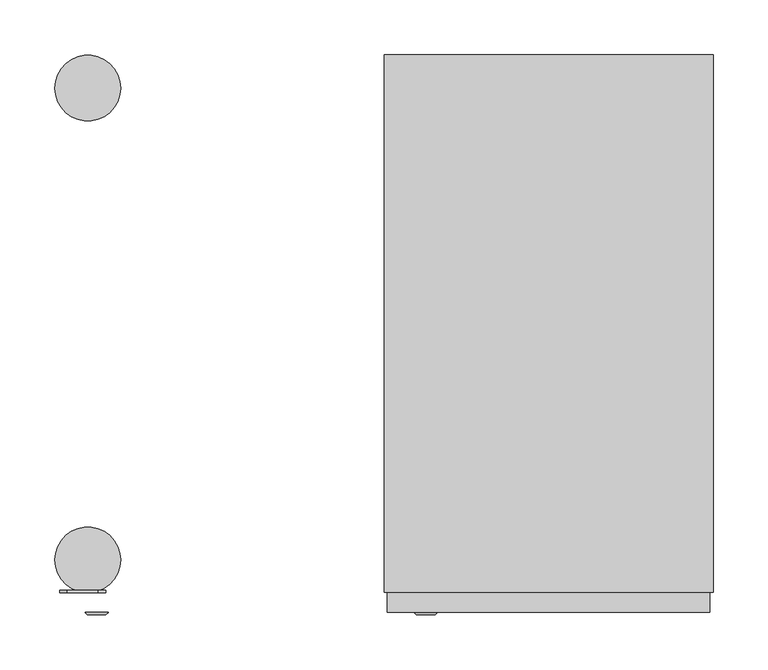
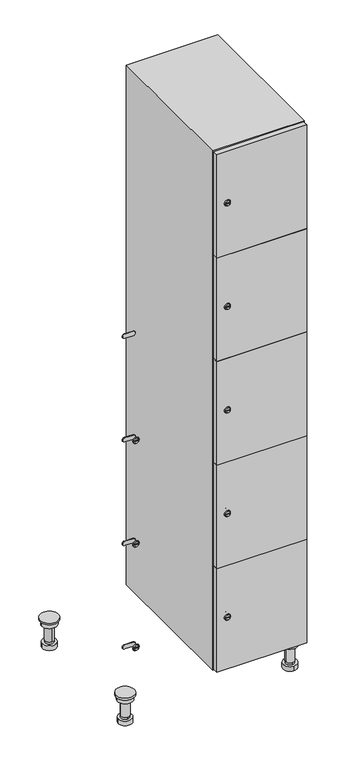
"""IFC4 building model written with IfcOpenShell, lengths in millimetres: furniture geometry."""

from ifc_helpers import new_model, si_unit, point, frame, frame_2d, origin, place, context, project, spatial, polyline, circle_curve, trimmed, segment, composite_curve, outline, extrude, faceted_brep, source, transform, mapped, element, save
from ifc_brep_helpers import plane_surface, cylinder_surface, revolved_surface, advanced_brep


def furniture_f7a5a5fe(model_context):
    return source(origin(), model_context, "Body", "SolidModel", [
        advanced_brep(
        [(370.0, -201.0, 22.0), (370.0, -201.5, 16.0), (370.0, -228.5, 16.0), (370.0, -229.0, 22.0), (356.0, -215.0, 22.0), (384.0, -215.0, 22.0), (370.0, -192.5, 16.0), (370.0, -237.5, 16.0), (370.0, -192.5, 0.0), (370.0, -237.5, 0.0), (384.0, -215.0, 78.0), (356.0, -215.0, 78.0), (395.0, -215.0, 78.0), (345.0, -215.0, 78.0), (400.0, -215.0, 94.0), (340.0, -215.0, 94.0), (345.0, -215.0, 94.0), (395.0, -215.0, 94.0), (400.0, -215.0, 100.0), (340.0, -215.0, 100.0)],
        [
            (0, 1),
            (1, 2, circle_curve(frame((370.0, -215.0, 16.0), z_axis=(0.0, 0.0, 1.0), x_axis=(0.0, -1.0, 0.0)), 13.5)),
            (2, 3),
            (3, 4, circle_curve(frame((370.0, -215.0, 22.0), z_axis=(0.0, 0.0, -1.0), x_axis=(0.0, -1.0, 0.0)), 14.0)),
            (4, 0, circle_curve(frame((370.0, -215.0, 22.0), z_axis=(0.0, 0.0, -1.0), x_axis=(0.0, -1.0, 0.0)), 14.0)),
            (0, 5, circle_curve(frame((370.0, -215.0, 22.0), z_axis=(0.0, 0.0, -1.0), x_axis=(0.0, 1.0, 0.0)), 14.0)),
            (5, 3, circle_curve(frame((370.0, -215.0, 22.0), z_axis=(0.0, 0.0, -1.0), x_axis=(0.0, 1.0, 0.0)), 14.0)),
            (2, 1, circle_curve(frame((370.0, -215.0, 16.0), z_axis=(0.0, 0.0, 1.0), x_axis=(0.0, 1.0, 0.0)), 13.5)),
            (6, 7, circle_curve(frame((370.0, -215.0, 16.0), z_axis=(0.0, 0.0, 1.0), x_axis=(0.0, -1.0, 0.0)), 22.5)),
            (7, 6, circle_curve(frame((370.0, -215.0, 16.0), z_axis=(0.0, 0.0, 1.0), x_axis=(0.0, -1.0, 0.0)), 22.5)),
            (8, 9, circle_curve(frame((370.0, -215.0, 0.0), z_axis=(0.0, 0.0, -1.0), x_axis=(0.0, -1.0, 0.0)), 22.5)),
            (9, 8, circle_curve(frame((370.0, -215.0, 0.0), z_axis=(0.0, 0.0, -1.0), x_axis=(0.0, -1.0, 0.0)), 22.5)),
            (6, 8),
            (9, 7),
            (5, 10),
            (10, 11, circle_curve(frame((370.0, -215.0, 78.0), z_axis=(0.0, 0.0, -1.0), x_axis=(-1.0, 0.0, 0.0)), 14.0)),
            (11, 4),
            (11, 10, circle_curve(frame((370.0, -215.0, 78.0), z_axis=(0.0, 0.0, -1.0), x_axis=(-1.0, 0.0, 0.0)), 14.0)),
            (12, 13, circle_curve(frame((370.0, -215.0, 78.0), z_axis=(0.0, 0.0, -1.0), x_axis=(-1.0, 0.0, 0.0)), 25.0)),
            (13, 12, circle_curve(frame((370.0, -215.0, 78.0), z_axis=(0.0, 0.0, -1.0), x_axis=(-1.0, 0.0, 0.0)), 25.0)),
            (14, 15, circle_curve(frame((370.0, -215.0, 94.0), z_axis=(0.0, 0.0, -1.0), x_axis=(-1.0, 0.0, 0.0)), 30.0)),
            (15, 14, circle_curve(frame((370.0, -215.0, 94.0), z_axis=(0.0, 0.0, -1.0), x_axis=(-1.0, 0.0, 0.0)), 30.0)),
            (16, 17, circle_curve(frame((370.0, -215.0, 94.0), z_axis=(0.0, 0.0, 1.0), x_axis=(-1.0, 0.0, 0.0)), 25.0)),
            (17, 16, circle_curve(frame((370.0, -215.0, 94.0), z_axis=(0.0, 0.0, 1.0), x_axis=(-1.0, 0.0, 0.0)), 25.0)),
            (18, 19, circle_curve(frame((370.0, -215.0, 100.0), z_axis=(0.0, 0.0, 1.0), x_axis=(-1.0, 0.0, 0.0)), 30.0)),
            (19, 18, circle_curve(frame((370.0, -215.0, 100.0), z_axis=(0.0, 0.0, 1.0), x_axis=(-1.0, 0.0, 0.0)), 30.0)),
            (14, 18),
            (19, 15),
            (12, 17),
            (16, 13),
        ],
        [
            revolved_surface(polyline([(370.0, -201.5, 16.0), (370.0, -201.0, 22.0)]), (370.0, -215.0, -146.0), (0.0, 0.0, 1.0)),
            plane_surface(frame((370.0, 0.0, 16.0), z_axis=(0.0, 0.0, 1.0), x_axis=(0.0, -1.0, 0.0))),
            plane_surface(frame((370.0, 0.0, 0.0), z_axis=(0.0, 0.0, -1.0), x_axis=(0.0, -1.0, 0.0))),
            cylinder_surface(frame((370.0, -215.0, 16.0), z_axis=(0.0, 0.0, 1.0), x_axis=(0.0, -1.0, 0.0)), 22.5),
            cylinder_surface(frame((370.0, -215.0, 22.0), z_axis=(0.0, 0.0, -1.0), x_axis=(-1.0, 0.0, 0.0)), 14.0),
            plane_surface(frame((370.0, 0.0, 78.0), z_axis=(0.0, 0.0, -1.0), x_axis=(0.0, -1.0, 0.0))),
            plane_surface(frame((370.0, 0.0, 94.0), z_axis=(0.0, 0.0, -1.0), x_axis=(0.0, -1.0, 0.0))),
            plane_surface(frame((370.0, 0.0, 100.0), z_axis=(0.0, 0.0, 1.0), x_axis=(0.0, -1.0, 0.0))),
            cylinder_surface(frame((370.0, -215.0, 94.0), z_axis=(0.0, 0.0, -1.0), x_axis=(-1.0, 0.0, 0.0)), 30.0),
            cylinder_surface(frame((370.0, -215.0, 78.0), z_axis=(0.0, 0.0, -1.0), x_axis=(-1.0, 0.0, 0.0)), 25.0),
        ],
        [
            (0, [[1, 2, 3, 4, 5]]),
            (0, [[-1, 6, 7, -3, 8]]),
            (1, [[9, 10], [-2, -8]]),
            (2, [[11, 12]]),
            (3, [[-9, 13, -12, 14]]),
            (3, [[-10, -14, -11, -13]]),
            (4, [[15, 16, 17, -4, -7]]),
            (4, [[-15, -6, -5, -17, 18]]),
            (5, [[19, 20], [-16, -18]]),
            (6, [[21, 22], [23, 24]]),
            (7, [[25, 26]]),
            (8, [[-21, 27, -26, 28]]),
            (8, [[-22, -28, -25, -27]]),
            (9, [[-19, 29, -23, 30]]),
            (9, [[-20, -30, -24, -29]]),
        ],
    ),
        advanced_brep(
        [(-170.0, -201.0, 22.0), (-170.0, -201.5, 16.0), (-170.0, -228.5, 16.0), (-170.0, -229.0, 22.0), (-184.0, -215.0, 22.0), (-156.0, -215.0, 22.0), (-147.5, -215.0, 0.0), (-192.5, -215.0, 0.0), (-147.5, -215.0, 16.0), (-192.5, -215.0, 16.0), (-156.0, -215.0, 78.0), (-184.0, -215.0, 78.0), (-145.0, -215.0, 78.0), (-195.0, -215.0, 78.0), (-140.0, -215.0, 94.0), (-200.0, -215.0, 94.0), (-195.0, -215.0, 94.0), (-145.0, -215.0, 94.0), (-140.0, -215.0, 100.0), (-200.0, -215.0, 100.0)],
        [
            (0, 1),
            (1, 2, circle_curve(frame((-170.0, -215.0, 16.0), z_axis=(0.0, 0.0, 1.0), x_axis=(0.0, -1.0, 0.0)), 13.5)),
            (2, 3),
            (3, 4, circle_curve(frame((-170.0, -215.0, 22.0), z_axis=(0.0, 0.0, -1.0), x_axis=(0.0, -1.0, 0.0)), 14.0)),
            (4, 0, circle_curve(frame((-170.0, -215.0, 22.0), z_axis=(0.0, 0.0, -1.0), x_axis=(0.0, -1.0, 0.0)), 14.0)),
            (0, 5, circle_curve(frame((-170.0, -215.0, 22.0), z_axis=(0.0, 0.0, -1.0), x_axis=(0.0, 1.0, 0.0)), 14.0)),
            (5, 3, circle_curve(frame((-170.0, -215.0, 22.0), z_axis=(0.0, 0.0, -1.0), x_axis=(0.0, 1.0, 0.0)), 14.0)),
            (2, 1, circle_curve(frame((-170.0, -215.0, 16.0), z_axis=(0.0, 0.0, 1.0), x_axis=(0.0, 1.0, 0.0)), 13.5)),
            (6, 7, circle_curve(frame((-170.0, -215.0, 0.0), z_axis=(0.0, 0.0, -1.0), x_axis=(-1.0, 0.0, 0.0)), 22.5)),
            (7, 6, circle_curve(frame((-170.0, -215.0, 0.0), z_axis=(0.0, 0.0, -1.0), x_axis=(-1.0, 0.0, 0.0)), 22.5)),
            (8, 9, circle_curve(frame((-170.0, -215.0, 16.0), z_axis=(0.0, 0.0, 1.0), x_axis=(-1.0, 0.0, 0.0)), 22.5)),
            (9, 8, circle_curve(frame((-170.0, -215.0, 16.0), z_axis=(0.0, 0.0, 1.0), x_axis=(-1.0, 0.0, 0.0)), 22.5)),
            (6, 8),
            (9, 7),
            (5, 10),
            (10, 11, circle_curve(frame((-170.0, -215.0, 78.0), z_axis=(0.0, 0.0, -1.0), x_axis=(-1.0, 0.0, 0.0)), 14.0)),
            (11, 4),
            (11, 10, circle_curve(frame((-170.0, -215.0, 78.0), z_axis=(0.0, 0.0, -1.0), x_axis=(-1.0, 0.0, 0.0)), 14.0)),
            (12, 13, circle_curve(frame((-170.0, -215.0, 78.0), z_axis=(0.0, 0.0, -1.0), x_axis=(-1.0, 0.0, 0.0)), 25.0)),
            (13, 12, circle_curve(frame((-170.0, -215.0, 78.0), z_axis=(0.0, 0.0, -1.0), x_axis=(-1.0, 0.0, 0.0)), 25.0)),
            (14, 15, circle_curve(frame((-170.0, -215.0, 94.0), z_axis=(0.0, 0.0, -1.0), x_axis=(-1.0, 0.0, 0.0)), 30.0)),
            (15, 14, circle_curve(frame((-170.0, -215.0, 94.0), z_axis=(0.0, 0.0, -1.0), x_axis=(-1.0, 0.0, 0.0)), 30.0)),
            (16, 17, circle_curve(frame((-170.0, -215.0, 94.0), z_axis=(0.0, 0.0, 1.0), x_axis=(-1.0, 0.0, 0.0)), 25.0)),
            (17, 16, circle_curve(frame((-170.0, -215.0, 94.0), z_axis=(0.0, 0.0, 1.0), x_axis=(-1.0, 0.0, 0.0)), 25.0)),
            (18, 19, circle_curve(frame((-170.0, -215.0, 100.0), z_axis=(0.0, 0.0, 1.0), x_axis=(-1.0, 0.0, 0.0)), 30.0)),
            (19, 18, circle_curve(frame((-170.0, -215.0, 100.0), z_axis=(0.0, 0.0, 1.0), x_axis=(-1.0, 0.0, 0.0)), 30.0)),
            (14, 18),
            (19, 15),
            (12, 17),
            (16, 13),
        ],
        [
            revolved_surface(polyline([(-170.0, -201.5, 16.0), (-170.0, -201.0, 22.0)]), (-170.0, -215.0, -146.0), (0.0, 0.0, 1.0)),
            plane_surface(frame((-170.0, 0.0, 0.0), z_axis=(0.0, 0.0, -1.0), x_axis=(0.0, -1.0, 0.0))),
            plane_surface(frame((-170.0, 0.0, 16.0), z_axis=(0.0, 0.0, 1.0), x_axis=(0.0, -1.0, 0.0))),
            cylinder_surface(frame((-170.0, -215.0, 0.0), z_axis=(0.0, 0.0, -1.0), x_axis=(-1.0, 0.0, 0.0)), 22.5),
            cylinder_surface(frame((-170.0, -215.0, 22.0), z_axis=(0.0, 0.0, -1.0), x_axis=(-1.0, 0.0, 0.0)), 14.0),
            plane_surface(frame((-170.0, 0.0, 78.0), z_axis=(0.0, 0.0, -1.0), x_axis=(0.0, -1.0, 0.0))),
            plane_surface(frame((-170.0, 0.0, 94.0), z_axis=(0.0, 0.0, -1.0), x_axis=(0.0, -1.0, 0.0))),
            plane_surface(frame((-170.0, 0.0, 100.0), z_axis=(0.0, 0.0, 1.0), x_axis=(0.0, -1.0, 0.0))),
            cylinder_surface(frame((-170.0, -215.0, 94.0), z_axis=(0.0, 0.0, -1.0), x_axis=(-1.0, 0.0, 0.0)), 30.0),
            cylinder_surface(frame((-170.0, -215.0, 78.0), z_axis=(0.0, 0.0, -1.0), x_axis=(-1.0, 0.0, 0.0)), 25.0),
        ],
        [
            (0, [[1, 2, 3, 4, 5]]),
            (0, [[-1, 6, 7, -3, 8]]),
            (1, [[9, 10]]),
            (2, [[11, 12], [-2, -8]]),
            (3, [[-9, 13, -12, 14]]),
            (3, [[-10, -14, -11, -13]]),
            (4, [[15, 16, 17, -4, -7]]),
            (4, [[-15, -6, -5, -17, 18]]),
            (5, [[19, 20], [-16, -18]]),
            (6, [[21, 22], [23, 24]]),
            (7, [[25, 26]]),
            (8, [[-21, 27, -26, 28]]),
            (8, [[-22, -28, -25, -27]]),
            (9, [[-19, 29, -23, 30]]),
            (9, [[-20, -30, -24, -29]]),
        ],
    ),
        advanced_brep(
        [(383.5, 215.0, 16.0), (384.0, 215.0, 22.0), (356.0, 215.0, 22.0), (356.5, 215.0, 16.0), (392.5, 215.0, 0.0), (347.5, 215.0, 0.0), (392.5, 215.0, 16.0), (347.5, 215.0, 16.0), (384.0, 215.0, 78.0), (356.0, 215.0, 78.0), (395.0, 215.0, 78.0), (345.0, 215.0, 78.0), (400.0, 215.0, 94.0), (340.0, 215.0, 94.0), (345.0, 215.0, 94.0), (395.0, 215.0, 94.0), (400.0, 215.0, 100.0), (340.0, 215.0, 100.0)],
        [
            (0, 1),
            (1, 2, circle_curve(frame((370.0, 215.0, 22.0), z_axis=(0.0, 0.0, -1.0), x_axis=(-1.0, 0.0, 0.0)), 14.0)),
            (2, 3),
            (3, 0, circle_curve(frame((370.0, 215.0, 16.0), z_axis=(0.0, 0.0, 1.0), x_axis=(-1.0, 0.0, 0.0)), 13.5)),
            (0, 3, circle_curve(frame((370.0, 215.0, 16.0), z_axis=(0.0, 0.0, 1.0), x_axis=(1.0, 0.0, 0.0)), 13.5)),
            (2, 1, circle_curve(frame((370.0, 215.0, 22.0), z_axis=(0.0, 0.0, -1.0), x_axis=(1.0, 0.0, 0.0)), 14.0)),
            (4, 5, circle_curve(frame((370.0, 215.0, 0.0), z_axis=(0.0, 0.0, -1.0), x_axis=(-1.0, 0.0, 0.0)), 22.5)),
            (5, 4, circle_curve(frame((370.0, 215.0, 0.0), z_axis=(0.0, 0.0, -1.0), x_axis=(-1.0, 0.0, 0.0)), 22.5)),
            (6, 7, circle_curve(frame((370.0, 215.0, 16.0), z_axis=(0.0, 0.0, 1.0), x_axis=(-1.0, 0.0, 0.0)), 22.5)),
            (7, 6, circle_curve(frame((370.0, 215.0, 16.0), z_axis=(0.0, 0.0, 1.0), x_axis=(-1.0, 0.0, 0.0)), 22.5)),
            (4, 6),
            (7, 5),
            (1, 8),
            (8, 9, circle_curve(frame((370.0, 215.0, 78.0), z_axis=(0.0, 0.0, -1.0), x_axis=(-1.0, 0.0, 0.0)), 14.0)),
            (9, 2),
            (9, 8, circle_curve(frame((370.0, 215.0, 78.0), z_axis=(0.0, 0.0, -1.0), x_axis=(-1.0, 0.0, 0.0)), 14.0)),
            (10, 11, circle_curve(frame((370.0, 215.0, 78.0), z_axis=(0.0, 0.0, -1.0), x_axis=(-1.0, 0.0, 0.0)), 25.0)),
            (11, 10, circle_curve(frame((370.0, 215.0, 78.0), z_axis=(0.0, 0.0, -1.0), x_axis=(-1.0, 0.0, 0.0)), 25.0)),
            (12, 13, circle_curve(frame((370.0, 215.0, 94.0), z_axis=(0.0, 0.0, -1.0), x_axis=(-1.0, 0.0, 0.0)), 30.0)),
            (13, 12, circle_curve(frame((370.0, 215.0, 94.0), z_axis=(0.0, 0.0, -1.0), x_axis=(-1.0, 0.0, 0.0)), 30.0)),
            (14, 15, circle_curve(frame((370.0, 215.0, 94.0), z_axis=(0.0, 0.0, 1.0), x_axis=(-1.0, 0.0, 0.0)), 25.0)),
            (15, 14, circle_curve(frame((370.0, 215.0, 94.0), z_axis=(0.0, 0.0, 1.0), x_axis=(-1.0, 0.0, 0.0)), 25.0)),
            (16, 17, circle_curve(frame((370.0, 215.0, 100.0), z_axis=(0.0, 0.0, 1.0), x_axis=(-1.0, 0.0, 0.0)), 30.0)),
            (17, 16, circle_curve(frame((370.0, 215.0, 100.0), z_axis=(0.0, 0.0, 1.0), x_axis=(-1.0, 0.0, 0.0)), 30.0)),
            (12, 16),
            (17, 13),
            (10, 15),
            (14, 11),
        ],
        [
            revolved_surface(polyline([(383.5, 215.0, 16.0), (384.0, 215.0, 22.0)]), (370.0, 215.0, -146.0), (0.0, 0.0, 1.0)),
            plane_surface(frame((370.0, 0.0, 0.0), z_axis=(0.0, 0.0, -1.0), x_axis=(0.0, -1.0, 0.0))),
            plane_surface(frame((370.0, 0.0, 16.0), z_axis=(0.0, 0.0, 1.0), x_axis=(0.0, -1.0, 0.0))),
            cylinder_surface(frame((370.0, 215.0, 0.0), z_axis=(0.0, 0.0, -1.0), x_axis=(-1.0, 0.0, 0.0)), 22.5),
            cylinder_surface(frame((370.0, 215.0, 22.0), z_axis=(0.0, 0.0, -1.0), x_axis=(-1.0, 0.0, 0.0)), 14.0),
            plane_surface(frame((370.0, 0.0, 78.0), z_axis=(0.0, 0.0, -1.0), x_axis=(0.0, -1.0, 0.0))),
            plane_surface(frame((370.0, 0.0, 94.0), z_axis=(0.0, 0.0, -1.0), x_axis=(0.0, -1.0, 0.0))),
            plane_surface(frame((370.0, 0.0, 100.0), z_axis=(0.0, 0.0, 1.0), x_axis=(0.0, -1.0, 0.0))),
            cylinder_surface(frame((370.0, 215.0, 94.0), z_axis=(0.0, 0.0, -1.0), x_axis=(-1.0, 0.0, 0.0)), 30.0),
            cylinder_surface(frame((370.0, 215.0, 78.0), z_axis=(0.0, 0.0, -1.0), x_axis=(-1.0, 0.0, 0.0)), 25.0),
        ],
        [
            (0, [[1, 2, 3, 4]]),
            (0, [[-1, 5, -3, 6]]),
            (1, [[7, 8]]),
            (2, [[9, 10], [-4, -5]]),
            (3, [[-7, 11, -10, 12]]),
            (3, [[-8, -12, -9, -11]]),
            (4, [[13, 14, 15, -2]]),
            (4, [[-13, -6, -15, 16]]),
            (5, [[17, 18], [-14, -16]]),
            (6, [[19, 20], [21, 22]]),
            (7, [[23, 24]]),
            (8, [[-19, 25, -24, 26]]),
            (8, [[-20, -26, -23, -25]]),
            (9, [[-17, 27, -21, 28]]),
            (9, [[-18, -28, -22, -27]]),
        ],
    ),
        advanced_brep(
        [(-156.5, 215.0, 16.0), (-156.0, 215.0, 22.0), (-170.0, 201.0, 22.0), (-184.0, 215.0, 22.0), (-183.5, 215.0, 16.0), (-170.0, 229.0, 22.0), (-147.5, 215.0, 0.0), (-192.5, 215.0, 0.0), (-147.5, 215.0, 16.0), (-192.5, 215.0, 16.0), (-170.0, 229.0, 78.0), (-170.0, 201.0, 78.0), (-145.0, 215.0, 78.0), (-195.0, 215.0, 78.0), (-140.0, 215.0, 94.0), (-200.0, 215.0, 94.0), (-195.0, 215.0, 94.0), (-145.0, 215.0, 94.0), (-140.0, 215.0, 100.0), (-200.0, 215.0, 100.0)],
        [
            (0, 1),
            (1, 2, circle_curve(frame((-170.0, 215.0, 22.0), z_axis=(0.0, 0.0, -1.0), x_axis=(-1.0, 0.0, 0.0)), 14.0)),
            (2, 3, circle_curve(frame((-170.0, 215.0, 22.0), z_axis=(0.0, 0.0, -1.0), x_axis=(-1.0, 0.0, 0.0)), 14.0)),
            (3, 4),
            (4, 0, circle_curve(frame((-170.0, 215.0, 16.0), z_axis=(0.0, 0.0, 1.0), x_axis=(-1.0, 0.0, 0.0)), 13.5)),
            (0, 4, circle_curve(frame((-170.0, 215.0, 16.0), z_axis=(0.0, 0.0, 1.0), x_axis=(1.0, 0.0, 0.0)), 13.5)),
            (3, 5, circle_curve(frame((-170.0, 215.0, 22.0), z_axis=(0.0, 0.0, -1.0), x_axis=(1.0, 0.0, 0.0)), 14.0)),
            (5, 1, circle_curve(frame((-170.0, 215.0, 22.0), z_axis=(0.0, 0.0, -1.0), x_axis=(1.0, 0.0, 0.0)), 14.0)),
            (6, 7, circle_curve(frame((-170.0, 215.0, 0.0), z_axis=(0.0, 0.0, -1.0), x_axis=(-1.0, 0.0, 0.0)), 22.5)),
            (7, 6, circle_curve(frame((-170.0, 215.0, 0.0), z_axis=(0.0, 0.0, -1.0), x_axis=(-1.0, 0.0, 0.0)), 22.5)),
            (8, 9, circle_curve(frame((-170.0, 215.0, 16.0), z_axis=(0.0, 0.0, 1.0), x_axis=(-1.0, 0.0, 0.0)), 22.5)),
            (9, 8, circle_curve(frame((-170.0, 215.0, 16.0), z_axis=(0.0, 0.0, 1.0), x_axis=(-1.0, 0.0, 0.0)), 22.5)),
            (6, 8),
            (9, 7),
            (10, 5),
            (2, 11),
            (11, 10, circle_curve(frame((-170.0, 215.0, 78.0), z_axis=(0.0, 0.0, -1.0), x_axis=(0.0, -1.0, 0.0)), 14.0)),
            (10, 11, circle_curve(frame((-170.0, 215.0, 78.0), z_axis=(0.0, 0.0, -1.0), x_axis=(0.0, -1.0, 0.0)), 14.0)),
            (12, 13, circle_curve(frame((-170.0, 215.0, 78.0), z_axis=(0.0, 0.0, -1.0), x_axis=(-1.0, 0.0, 0.0)), 25.0)),
            (13, 12, circle_curve(frame((-170.0, 215.0, 78.0), z_axis=(0.0, 0.0, -1.0), x_axis=(-1.0, 0.0, 0.0)), 25.0)),
            (14, 15, circle_curve(frame((-170.0, 215.0, 94.0), z_axis=(0.0, 0.0, -1.0), x_axis=(-1.0, 0.0, 0.0)), 30.0)),
            (15, 14, circle_curve(frame((-170.0, 215.0, 94.0), z_axis=(0.0, 0.0, -1.0), x_axis=(-1.0, 0.0, 0.0)), 30.0)),
            (16, 17, circle_curve(frame((-170.0, 215.0, 94.0), z_axis=(0.0, 0.0, 1.0), x_axis=(-1.0, 0.0, 0.0)), 25.0)),
            (17, 16, circle_curve(frame((-170.0, 215.0, 94.0), z_axis=(0.0, 0.0, 1.0), x_axis=(-1.0, 0.0, 0.0)), 25.0)),
            (18, 19, circle_curve(frame((-170.0, 215.0, 100.0), z_axis=(0.0, 0.0, 1.0), x_axis=(-1.0, 0.0, 0.0)), 30.0)),
            (19, 18, circle_curve(frame((-170.0, 215.0, 100.0), z_axis=(0.0, 0.0, 1.0), x_axis=(-1.0, 0.0, 0.0)), 30.0)),
            (14, 18),
            (19, 15),
            (12, 17),
            (16, 13),
        ],
        [
            revolved_surface(polyline([(-156.5, 215.0, 16.0), (-156.0, 215.0, 22.0)]), (-170.0, 215.0, -146.0), (0.0, 0.0, 1.0)),
            plane_surface(frame((-170.0, 0.0, 0.0), z_axis=(0.0, 0.0, -1.0), x_axis=(0.0, -1.0, 0.0))),
            plane_surface(frame((-170.0, 0.0, 16.0), z_axis=(0.0, 0.0, 1.0), x_axis=(0.0, -1.0, 0.0))),
            cylinder_surface(frame((-170.0, 215.0, 0.0), z_axis=(0.0, 0.0, -1.0), x_axis=(-1.0, 0.0, 0.0)), 22.5),
            cylinder_surface(frame((-170.0, 215.0, 78.0), z_axis=(0.0, 0.0, 1.0), x_axis=(0.0, -1.0, 0.0)), 14.0),
            plane_surface(frame((-170.0, 0.0, 78.0), z_axis=(0.0, 0.0, -1.0), x_axis=(0.0, -1.0, 0.0))),
            plane_surface(frame((-170.0, 0.0, 94.0), z_axis=(0.0, 0.0, -1.0), x_axis=(0.0, -1.0, 0.0))),
            plane_surface(frame((-170.0, 0.0, 100.0), z_axis=(0.0, 0.0, 1.0), x_axis=(0.0, -1.0, 0.0))),
            cylinder_surface(frame((-170.0, 215.0, 94.0), z_axis=(0.0, 0.0, -1.0), x_axis=(-1.0, 0.0, 0.0)), 30.0),
            cylinder_surface(frame((-170.0, 215.0, 78.0), z_axis=(0.0, 0.0, -1.0), x_axis=(-1.0, 0.0, 0.0)), 25.0),
        ],
        [
            (0, [[1, 2, 3, 4, 5]]),
            (0, [[-1, 6, -4, 7, 8]]),
            (1, [[9, 10]]),
            (2, [[11, 12], [-5, -6]]),
            (3, [[-9, 13, -12, 14]]),
            (3, [[-10, -14, -11, -13]]),
            (4, [[15, -7, -3, 16, 17]]),
            (4, [[-15, 18, -16, -2, -8]]),
            (5, [[19, 20], [-17, -18]]),
            (6, [[21, 22], [23, 24]]),
            (7, [[25, 26]]),
            (8, [[-21, 27, -26, 28]]),
            (8, [[-22, -28, -25, -27]]),
            (9, [[-19, 29, -23, 30]]),
            (9, [[-20, -30, -24, -29]]),
        ],
    ),
        extrude(outline(composite_curve([segment(trimmed(circle_curve(frame_2d((282.4, 111.2010534)), 7.0), [point((289.4, 111.2010534))], [point((275.4, 111.2010534))], False, "CARTESIAN"), True, "CONTINUOUS"), segment(polyline([(275.4, 111.2010534), (275.4, 139.2010534)]), True, "CONTINUOUS"), segment(trimmed(circle_curve(frame_2d((282.4, 139.2010534)), 7.0), [point((275.4, 139.2010534))], [point((289.4, 139.2010534))], False, "CARTESIAN"), True, "CONTINUOUS"), segment(polyline([(289.4, 139.2010534), (289.4, 111.2010534)]), True, "CONTINUOUS")], self_intersect=False)), frame((0.0, -245.0, 0.0), z_axis=(0.0, 1.0, 0.0), x_axis=(0.0, 0.0, 1.0)), (0.0, 0.0, 1.0), 2.0),
        advanced_brep(
        [(146.5, -265.2, 282.4), (129.5, -265.2, 282.4), (133.0, -265.2, 281.15), (133.0, -265.2, 283.65), (143.0, -265.2, 283.65), (143.0, -265.2, 281.15), (148.5, -263.0, 282.4), (127.5, -263.0, 282.4), (133.0, -263.0, 283.65), (133.0, -263.0, 281.15), (143.0, -263.0, 281.15), (143.0, -263.0, 283.65)],
        [
            (0, 1, circle_curve(frame((138.0, -265.2, 282.4), z_axis=(0.0, -1.0, 0.0), x_axis=(1.0, 0.0, 0.0)), 8.5)),
            (1, 0, circle_curve(frame((138.0, -265.2, 282.4), z_axis=(0.0, -1.0, 0.0), x_axis=(-1.0, 0.0, 0.0)), 8.5)),
            (2, 3),
            (3, 4),
            (4, 5),
            (5, 2),
            (6, 7, circle_curve(frame((138.0, -263.0, 282.4), z_axis=(0.0, 1.0, 0.0), x_axis=(-1.0, 0.0, 0.0)), 10.5)),
            (7, 6, circle_curve(frame((138.0, -263.0, 282.4), z_axis=(0.0, 1.0, 0.0), x_axis=(1.0, 0.0, 0.0)), 10.5)),
            (8, 9),
            (9, 10),
            (10, 11),
            (11, 8),
            (0, 6),
            (7, 1),
            (8, 3),
            (2, 9),
            (11, 4),
            (10, 5),
        ],
        [
            plane_surface(frame((138.0, -265.2, 282.4), z_axis=(0.0, -1.0, 0.0), x_axis=(0.0, 0.0, 1.0))),
            plane_surface(frame((138.0, -263.0, 282.4), z_axis=(0.0, 1.0, 0.0), x_axis=(0.0, 0.0, 1.0))),
            revolved_surface(polyline([(146.5, -265.2, 282.4), (148.5, -263.0, 282.4)]), (138.0, -274.55, 282.4), (0.0, 1.0, 0.0)),
            revolved_surface(polyline([(129.5, -265.2, 282.4), (127.5, -263.0, 282.4)]), (138.0, -274.55, 282.4), (0.0, 1.0, 0.0)),
            plane_surface(frame((133.0, -263.0, 281.15), z_axis=(1.0, 0.0, 0.0), x_axis=(0.0, -1.0, 0.0))),
            plane_surface(frame((133.0, -263.0, 283.65), z_axis=(0.0, 0.0, -1.0), x_axis=(0.0, -1.0, 0.0))),
            plane_surface(frame((143.0, -263.0, 283.65), z_axis=(-1.0, 0.0, 0.0), x_axis=(0.0, -1.0, 0.0))),
            plane_surface(frame((143.0, -263.0, 281.15), z_axis=(0.0, 0.0, 1.0), x_axis=(0.0, -1.0, 0.0))),
        ],
        [
            (0, [[1, 2], [3, 4, 5, 6]]),
            (1, [[7, 8], [9, 10, 11, 12]]),
            (2, [[-1, 13, -8, 14]]),
            (3, [[-2, -14, -7, -13]]),
            (4, [[15, -3, 16, -9]]),
            (5, [[-15, -12, 17, -4]]),
            (6, [[-17, -11, 18, -5]]),
            (7, [[-16, -6, -18, -10]]),
        ],
    ),
        extrude(outline(composite_curve([segment(trimmed(circle_curve(frame_2d((641.2, 111.2010534)), 7.0), [point((648.2, 111.2010534))], [point((634.2, 111.2010534))], False, "CARTESIAN"), True, "CONTINUOUS"), segment(polyline([(634.2, 111.2010534), (634.2, 139.2010534)]), True, "CONTINUOUS"), segment(trimmed(circle_curve(frame_2d((641.2, 139.2010534)), 7.0), [point((634.2, 139.2010534))], [point((648.2, 139.2010534))], False, "CARTESIAN"), True, "CONTINUOUS"), segment(polyline([(648.2, 139.2010534), (648.2, 111.2010534)]), True, "CONTINUOUS")], self_intersect=False)), frame((0.0, -245.0, 0.0), z_axis=(0.0, 1.0, 0.0), x_axis=(0.0, 0.0, 1.0)), (0.0, 0.0, 1.0), 2.0),
        advanced_brep(
        [(146.5, -265.2, 641.2), (129.5, -265.2, 641.2), (133.0, -265.2, 639.95), (133.0, -265.2, 642.45), (143.0, -265.2, 642.45), (143.0, -265.2, 639.95), (148.5, -263.0, 641.2), (127.5, -263.0, 641.2), (133.0, -263.0, 642.45), (133.0, -263.0, 639.95), (143.0, -263.0, 639.95), (143.0, -263.0, 642.45)],
        [
            (0, 1, circle_curve(frame((138.0, -265.2, 641.2), z_axis=(0.0, -1.0, 0.0), x_axis=(1.0, 0.0, 0.0)), 8.5)),
            (1, 0, circle_curve(frame((138.0, -265.2, 641.2), z_axis=(0.0, -1.0, 0.0), x_axis=(-1.0, 0.0, 0.0)), 8.5)),
            (2, 3),
            (3, 4),
            (4, 5),
            (5, 2),
            (6, 7, circle_curve(frame((138.0, -263.0, 641.2), z_axis=(0.0, 1.0, 0.0), x_axis=(-1.0, 0.0, 0.0)), 10.5)),
            (7, 6, circle_curve(frame((138.0, -263.0, 641.2), z_axis=(0.0, 1.0, 0.0), x_axis=(1.0, 0.0, 0.0)), 10.5)),
            (8, 9),
            (9, 10),
            (10, 11),
            (11, 8),
            (0, 6),
            (7, 1),
            (8, 3),
            (2, 9),
            (11, 4),
            (10, 5),
        ],
        [
            plane_surface(frame((138.0, -265.2, 641.2), z_axis=(0.0, -1.0, 0.0), x_axis=(0.0, 0.0, 1.0))),
            plane_surface(frame((138.0, -263.0, 641.2), z_axis=(0.0, 1.0, 0.0), x_axis=(0.0, 0.0, 1.0))),
            revolved_surface(polyline([(146.5, -265.2, 641.2), (148.5, -263.0, 641.2)]), (138.0, -274.55, 641.2), (0.0, 1.0, 0.0)),
            revolved_surface(polyline([(129.5, -265.2, 641.2), (127.5, -263.0, 641.2)]), (138.0, -274.55, 641.2), (0.0, 1.0, 0.0)),
            plane_surface(frame((133.0, -263.0, 639.95), z_axis=(1.0, 0.0, 0.0), x_axis=(0.0, -1.0, 0.0))),
            plane_surface(frame((133.0, -263.0, 642.45), z_axis=(0.0, 0.0, -1.0), x_axis=(0.0, -1.0, 0.0))),
            plane_surface(frame((143.0, -263.0, 642.45), z_axis=(-1.0, 0.0, 0.0), x_axis=(0.0, -1.0, 0.0))),
            plane_surface(frame((143.0, -263.0, 639.95), z_axis=(0.0, 0.0, 1.0), x_axis=(0.0, -1.0, 0.0))),
        ],
        [
            (0, [[1, 2], [3, 4, 5, 6]]),
            (1, [[7, 8], [9, 10, 11, 12]]),
            (2, [[-1, 13, -8, 14]]),
            (3, [[-2, -14, -7, -13]]),
            (4, [[15, -3, 16, -9]]),
            (5, [[-15, -12, 17, -4]]),
            (6, [[-17, -11, 18, -5]]),
            (7, [[-16, -6, -18, -10]]),
        ],
    ),
        extrude(outline(composite_curve([segment(trimmed(circle_curve(frame_2d((1000.0, 111.2010534)), 7.0), [point((1007.0, 111.2010534))], [point((993.0, 111.2010534))], False, "CARTESIAN"), True, "CONTINUOUS"), segment(polyline([(993.0, 111.2010534), (993.0, 139.2010534)]), True, "CONTINUOUS"), segment(trimmed(circle_curve(frame_2d((1000.0, 139.2010534)), 7.0), [point((993.0, 139.2010534))], [point((1007.0, 139.2010534))], False, "CARTESIAN"), True, "CONTINUOUS"), segment(polyline([(1007.0, 139.2010534), (1007.0, 111.2010534)]), True, "CONTINUOUS")], self_intersect=False)), frame((0.0, -245.0, 0.0), z_axis=(0.0, 1.0, 0.0), x_axis=(0.0, 0.0, 1.0)), (0.0, 0.0, 1.0), 2.0),
        advanced_brep(
        [(146.5, -265.2, 1000.0), (129.5, -265.2, 1000.0), (133.0, -265.2, 998.75), (133.0, -265.2, 1001.25), (143.0, -265.2, 1001.25), (143.0, -265.2, 998.75), (148.5, -263.0, 1000.0), (127.5, -263.0, 1000.0), (133.0, -263.0, 1001.25), (133.0, -263.0, 998.75), (143.0, -263.0, 998.75), (143.0, -263.0, 1001.25)],
        [
            (0, 1, circle_curve(frame((138.0, -265.2, 1000.0), z_axis=(0.0, -1.0, 0.0), x_axis=(1.0, 0.0, 0.0)), 8.5)),
            (1, 0, circle_curve(frame((138.0, -265.2, 1000.0), z_axis=(0.0, -1.0, 0.0), x_axis=(-1.0, 0.0, 0.0)), 8.5)),
            (2, 3),
            (3, 4),
            (4, 5),
            (5, 2),
            (6, 7, circle_curve(frame((138.0, -263.0, 1000.0), z_axis=(0.0, 1.0, 0.0), x_axis=(-1.0, 0.0, 0.0)), 10.5)),
            (7, 6, circle_curve(frame((138.0, -263.0, 1000.0), z_axis=(0.0, 1.0, 0.0), x_axis=(1.0, 0.0, 0.0)), 10.5)),
            (8, 9),
            (9, 10),
            (10, 11),
            (11, 8),
            (0, 6),
            (7, 1),
            (8, 3),
            (2, 9),
            (11, 4),
            (10, 5),
        ],
        [
            plane_surface(frame((138.0, -265.2, 1000.0), z_axis=(0.0, -1.0, 0.0), x_axis=(0.0, 0.0, 1.0))),
            plane_surface(frame((138.0, -263.0, 1000.0), z_axis=(0.0, 1.0, 0.0), x_axis=(0.0, 0.0, 1.0))),
            revolved_surface(polyline([(146.5, -265.2, 1000.0), (148.5, -263.0, 1000.0)]), (138.0, -274.55, 1000.0), (0.0, 1.0, 0.0)),
            revolved_surface(polyline([(129.5, -265.2, 1000.0), (127.5, -263.0, 1000.0)]), (138.0, -274.55, 1000.0), (0.0, 1.0, 0.0)),
            plane_surface(frame((133.0, -263.0, 998.75), z_axis=(1.0, 0.0, 0.0), x_axis=(0.0, -1.0, 0.0))),
            plane_surface(frame((133.0, -263.0, 1001.25), z_axis=(0.0, 0.0, -1.0), x_axis=(0.0, -1.0, 0.0))),
            plane_surface(frame((143.0, -263.0, 1001.25), z_axis=(-1.0, 0.0, 0.0), x_axis=(0.0, -1.0, 0.0))),
            plane_surface(frame((143.0, -263.0, 998.75), z_axis=(0.0, 0.0, 1.0), x_axis=(0.0, -1.0, 0.0))),
        ],
        [
            (0, [[1, 2], [3, 4, 5, 6]]),
            (1, [[7, 8], [9, 10, 11, 12]]),
            (2, [[-1, 13, -8, 14]]),
            (3, [[-2, -14, -7, -13]]),
            (4, [[15, -3, 16, -9]]),
            (5, [[-15, -12, 17, -4]]),
            (6, [[-17, -11, 18, -5]]),
            (7, [[-16, -6, -18, -10]]),
        ],
    ),
        extrude(outline(composite_curve([segment(trimmed(circle_curve(frame_2d((1358.8, 111.2010534)), 7.0), [point((1365.8, 111.2010534))], [point((1351.8, 111.2010534))], False, "CARTESIAN"), True, "CONTINUOUS"), segment(polyline([(1351.8, 111.2010534), (1351.8, 139.2010534)]), True, "CONTINUOUS"), segment(trimmed(circle_curve(frame_2d((1358.8, 139.2010534)), 7.0), [point((1351.8, 139.2010534))], [point((1365.8, 139.2010534))], False, "CARTESIAN"), True, "CONTINUOUS"), segment(polyline([(1365.8, 139.2010534), (1365.8, 111.2010534)]), True, "CONTINUOUS")], self_intersect=False)), frame((0.0, -245.0, 0.0), z_axis=(0.0, 1.0, 0.0), x_axis=(0.0, 0.0, 1.0)), (0.0, 0.0, 1.0), 2.0),
        advanced_brep(
        [(146.5, -265.2, 1358.8), (129.5, -265.2, 1358.8), (133.0, -265.2, 1357.55), (133.0, -265.2, 1360.05), (143.0, -265.2, 1360.05), (143.0, -265.2, 1357.55), (148.5, -263.0, 1358.8), (127.5, -263.0, 1358.8), (133.0, -263.0, 1360.05), (133.0, -263.0, 1357.55), (143.0, -263.0, 1357.55), (143.0, -263.0, 1360.05)],
        [
            (0, 1, circle_curve(frame((138.0, -265.2, 1358.8), z_axis=(0.0, -1.0, 0.0), x_axis=(1.0, 0.0, 0.0)), 8.5)),
            (1, 0, circle_curve(frame((138.0, -265.2, 1358.8), z_axis=(0.0, -1.0, 0.0), x_axis=(-1.0, 0.0, 0.0)), 8.5)),
            (2, 3),
            (3, 4),
            (4, 5),
            (5, 2),
            (6, 7, circle_curve(frame((138.0, -263.0, 1358.8), z_axis=(0.0, 1.0, 0.0), x_axis=(-1.0, 0.0, 0.0)), 10.5)),
            (7, 6, circle_curve(frame((138.0, -263.0, 1358.8), z_axis=(0.0, 1.0, 0.0), x_axis=(1.0, 0.0, 0.0)), 10.5)),
            (8, 9),
            (9, 10),
            (10, 11),
            (11, 8),
            (0, 6),
            (7, 1),
            (8, 3),
            (2, 9),
            (11, 4),
            (10, 5),
        ],
        [
            plane_surface(frame((138.0, -265.2, 1358.8), z_axis=(0.0, -1.0, 0.0), x_axis=(0.0, 0.0, 1.0))),
            plane_surface(frame((138.0, -263.0, 1358.8), z_axis=(0.0, 1.0, 0.0), x_axis=(0.0, 0.0, 1.0))),
            revolved_surface(polyline([(146.5, -265.2, 1358.8), (148.5, -263.0, 1358.8)]), (138.0, -274.55, 1358.8), (0.0, 1.0, 0.0)),
            revolved_surface(polyline([(129.5, -265.2, 1358.8), (127.5, -263.0, 1358.8)]), (138.0, -274.55, 1358.8), (0.0, 1.0, 0.0)),
            plane_surface(frame((133.0, -263.0, 1357.55), z_axis=(1.0, 0.0, 0.0), x_axis=(0.0, -1.0, 0.0))),
            plane_surface(frame((133.0, -263.0, 1360.05), z_axis=(0.0, 0.0, -1.0), x_axis=(0.0, -1.0, 0.0))),
            plane_surface(frame((143.0, -263.0, 1360.05), z_axis=(-1.0, 0.0, 0.0), x_axis=(0.0, -1.0, 0.0))),
            plane_surface(frame((143.0, -263.0, 1357.55), z_axis=(0.0, 0.0, 1.0), x_axis=(0.0, -1.0, 0.0))),
        ],
        [
            (0, [[1, 2], [3, 4, 5, 6]]),
            (1, [[7, 8], [9, 10, 11, 12]]),
            (2, [[-1, 13, -8, 14]]),
            (3, [[-2, -14, -7, -13]]),
            (4, [[15, -3, 16, -9]]),
            (5, [[-15, -12, 17, -4]]),
            (6, [[-17, -11, 18, -5]]),
            (7, [[-16, -6, -18, -10]]),
        ],
    ),
        extrude(outline(composite_curve([segment(trimmed(circle_curve(frame_2d((1717.6, 111.2010534)), 7.0), [point((1724.6, 111.2010534))], [point((1710.6, 111.2010534))], False, "CARTESIAN"), True, "CONTINUOUS"), segment(polyline([(1710.6, 111.2010534), (1710.6, 139.2010534)]), True, "CONTINUOUS"), segment(trimmed(circle_curve(frame_2d((1717.6, 139.2010534)), 7.0), [point((1710.6, 139.2010534))], [point((1724.6, 139.2010534))], False, "CARTESIAN"), True, "CONTINUOUS"), segment(polyline([(1724.6, 139.2010534), (1724.6, 111.2010534)]), True, "CONTINUOUS")], self_intersect=False)), frame((0.0, -245.0, 0.0), z_axis=(0.0, 1.0, 0.0), x_axis=(0.0, 0.0, 1.0)), (0.0, 0.0, 1.0), 2.0),
        advanced_brep(
        [(146.5, -265.2, 1717.6), (129.5, -265.2, 1717.6), (133.0, -265.2, 1716.35), (133.0, -265.2, 1718.85), (143.0, -265.2, 1718.85), (143.0, -265.2, 1716.35), (148.5, -263.0, 1717.6), (127.5, -263.0, 1717.6), (133.0, -263.0, 1718.85), (133.0, -263.0, 1716.35), (143.0, -263.0, 1716.35), (143.0, -263.0, 1718.85)],
        [
            (0, 1, circle_curve(frame((138.0, -265.2, 1717.6), z_axis=(0.0, -1.0, 0.0), x_axis=(1.0, 0.0, 0.0)), 8.5)),
            (1, 0, circle_curve(frame((138.0, -265.2, 1717.6), z_axis=(0.0, -1.0, 0.0), x_axis=(-1.0, 0.0, 0.0)), 8.5)),
            (2, 3),
            (3, 4),
            (4, 5),
            (5, 2),
            (6, 7, circle_curve(frame((138.0, -263.0, 1717.6), z_axis=(0.0, 1.0, 0.0), x_axis=(-1.0, 0.0, 0.0)), 10.5)),
            (7, 6, circle_curve(frame((138.0, -263.0, 1717.6), z_axis=(0.0, 1.0, 0.0), x_axis=(1.0, 0.0, 0.0)), 10.5)),
            (8, 9),
            (9, 10),
            (10, 11),
            (11, 8),
            (0, 6),
            (7, 1),
            (8, 3),
            (2, 9),
            (11, 4),
            (10, 5),
        ],
        [
            plane_surface(frame((138.0, -265.2, 1717.6), z_axis=(0.0, -1.0, 0.0), x_axis=(0.0, 0.0, 1.0))),
            plane_surface(frame((138.0, -263.0, 1717.6), z_axis=(0.0, 1.0, 0.0), x_axis=(0.0, 0.0, 1.0))),
            revolved_surface(polyline([(146.5, -265.2, 1717.6), (148.5, -263.0, 1717.6)]), (138.0, -274.55, 1717.6), (0.0, 1.0, 0.0)),
            revolved_surface(polyline([(129.5, -265.2, 1717.6), (127.5, -263.0, 1717.6)]), (138.0, -274.55, 1717.6), (0.0, 1.0, 0.0)),
            plane_surface(frame((133.0, -263.0, 1716.35), z_axis=(1.0, 0.0, 0.0), x_axis=(0.0, -1.0, 0.0))),
            plane_surface(frame((133.0, -263.0, 1718.85), z_axis=(0.0, 0.0, -1.0), x_axis=(0.0, -1.0, 0.0))),
            plane_surface(frame((143.0, -263.0, 1718.85), z_axis=(-1.0, 0.0, 0.0), x_axis=(0.0, -1.0, 0.0))),
            plane_surface(frame((143.0, -263.0, 1716.35), z_axis=(0.0, 0.0, 1.0), x_axis=(0.0, -1.0, 0.0))),
        ],
        [
            (0, [[1, 2], [3, 4, 5, 6]]),
            (1, [[7, 8], [9, 10, 11, 12]]),
            (2, [[-1, 13, -8, 14]]),
            (3, [[-2, -14, -7, -13]]),
            (4, [[15, -3, 16, -9]]),
            (5, [[-15, -12, 17, -4]]),
            (6, [[-17, -11, 18, -5]]),
            (7, [[-16, -6, -18, -10]]),
        ],
    ),
        extrude(outline(polyline([(397.0, -245.0), (397.0, -263.0), (103.0, -263.0), (103.0, -245.0), (397.0, -245.0)])), frame((0.0, 0.0, 820.1), z_axis=(0.0, 0.0, 1.0), x_axis=(1.0, 0.0, 0.0)), (0.0, 0.0, 1.0), 359.8),
        extrude(outline(polyline([(397.0, -245.0), (397.0, -263.0), (103.0, -263.0), (103.0, -245.0), (397.0, -245.0)])), frame((0.0, 0.0, 461.3), z_axis=(0.0, 0.0, 1.0), x_axis=(1.0, 0.0, 0.0)), (0.0, 0.0, 1.0), 359.8),
        extrude(outline(polyline([(397.0, -245.0), (397.0, -263.0), (103.0, -263.0), (103.0, -245.0), (397.0, -245.0)])), frame((0.0, 0.0, 1178.9), z_axis=(0.0, 0.0, 1.0), x_axis=(1.0, 0.0, 0.0)), (0.0, 0.0, 1.0), 358.8),
        extrude(outline(polyline([(103.0, -263.0), (103.0, -245.0), (397.0, -245.0), (397.0, -263.0), (103.0, -263.0)])), frame((0.0, 0.0, 1538.7), z_axis=(0.0, 0.0, 1.0), x_axis=(1.0, 0.0, 0.0)), (0.0, 0.0, 1.0), 358.3),
        extrude(outline(polyline([(397.0, -245.0), (397.0, -263.0), (103.0, -263.0), (103.0, -245.0), (397.0, -245.0)])), frame((0.0, 0.0, 103.0), z_axis=(0.0, 0.0, 1.0), x_axis=(1.0, 0.0, 0.0)), (0.0, 0.0, 1.0), 359.3),
        extrude(outline(polyline([(382.0, 227.0), (382.0, -227.0), (118.0, -227.0), (118.0, 227.0), (382.0, 227.0)])), frame((0.0, 0.0, 1520.2), z_axis=(0.0, 0.0, 1.0), x_axis=(1.0, 0.0, 0.0)), (0.0, 0.0, 1.0), 18.0),
        extrude(outline(polyline([(382.0, 227.0), (382.0, -227.0), (118.0, -227.0), (118.0, 227.0), (382.0, 227.0)])), frame((0.0, 0.0, 1167.4), z_axis=(0.0, 0.0, 1.0), x_axis=(1.0, 0.0, 0.0)), (0.0, 0.0, 1.0), 18.0),
        extrude(outline(polyline([(382.0, 227.0), (382.0, -227.0), (118.0, -227.0), (118.0, 227.0), (382.0, 227.0)])), frame((0.0, 0.0, 814.6), z_axis=(0.0, 0.0, 1.0), x_axis=(1.0, 0.0, 0.0)), (0.0, 0.0, 1.0), 18.0),
        extrude(outline(polyline([(118.0, 227.0), (382.0, 227.0), (382.0, -227.0), (118.0, -227.0), (118.0, 227.0)])), frame((0.0, 0.0, 461.8), z_axis=(0.0, 0.0, 1.0), x_axis=(1.0, 0.0, 0.0)), (0.0, 0.0, 1.0), 18.0),
        faceted_brep([(400.0, -245.0, 100.0), (400.0, -245.0, 1900.0), (100.0, -245.0, 1900.0), (100.0, -245.0, 100.0), (382.0, -245.0, 1882.0), (382.0, -245.0, 118.0), (118.0, -245.0, 118.0), (118.0, -245.0, 1882.0), (400.0, 245.0, 100.0), (100.0, 245.0, 100.0), (400.0, 245.0, 1900.0), (100.0, 245.0, 1900.0), (382.0, 227.0, 1882.0), (382.0, 227.0, 118.0), (100.0, 245.0, 1882.0), (118.0, 227.0, 1882.0), (118.0, 227.0, 118.0)], [[[0, 1, 2, 3], [4, 5, 6, 7]], [[8, 0, 3, 9]], [[1, 0, 8, 10]], [[1, 10, 11, 2]], [[4, 12, 13, 5]], [[9, 3, 2, 11, 14]], [[10, 8, 9, 14, 11]], [[12, 15, 16, 13]], [[15, 7, 6, 16]], [[4, 7, 15, 12]], [[6, 5, 13, 16]]]),
        extrude(outline(composite_curve([segment(trimmed(circle_curve(frame_2d((282.4, -188.7989466)), 7.0), [point((289.4, -188.7989466))], [point((275.4, -188.7989466))], False, "CARTESIAN"), True, "CONTINUOUS"), segment(polyline([(275.4, -188.7989466), (275.4, -160.7989466)]), True, "CONTINUOUS"), segment(trimmed(circle_curve(frame_2d((282.4, -160.7989466)), 7.0), [point((275.4, -160.7989466))], [point((289.4, -160.7989466))], False, "CARTESIAN"), True, "CONTINUOUS"), segment(polyline([(289.4, -160.7989466), (289.4, -188.7989466)]), True, "CONTINUOUS")], self_intersect=False)), frame((0.0, -245.0, 0.0), z_axis=(0.0, 1.0, 0.0), x_axis=(0.0, 0.0, 1.0)), (0.0, 0.0, 1.0), 2.0),
        advanced_brep(
        [(-153.5, -265.2, 282.4), (-170.5, -265.2, 282.4), (-167.0, -265.2, 281.15), (-167.0, -265.2, 283.65), (-157.0, -265.2, 283.65), (-157.0, -265.2, 281.15), (-151.5, -263.0, 282.4), (-172.5, -263.0, 282.4), (-167.0, -263.0, 283.65), (-167.0, -263.0, 281.15), (-157.0, -263.0, 281.15), (-157.0, -263.0, 283.65)],
        [
            (0, 1, circle_curve(frame((-162.0, -265.2, 282.4), z_axis=(0.0, -1.0, 0.0), x_axis=(1.0, 0.0, 0.0)), 8.5)),
            (1, 0, circle_curve(frame((-162.0, -265.2, 282.4), z_axis=(0.0, -1.0, 0.0), x_axis=(-1.0, 0.0, 0.0)), 8.5)),
            (2, 3),
            (3, 4),
            (4, 5),
            (5, 2),
            (6, 7, circle_curve(frame((-162.0, -263.0, 282.4), z_axis=(0.0, 1.0, 0.0), x_axis=(-1.0, 0.0, 0.0)), 10.5)),
            (7, 6, circle_curve(frame((-162.0, -263.0, 282.4), z_axis=(0.0, 1.0, 0.0), x_axis=(1.0, 0.0, 0.0)), 10.5)),
            (8, 9),
            (9, 10),
            (10, 11),
            (11, 8),
            (0, 6),
            (7, 1),
            (8, 3),
            (2, 9),
            (11, 4),
            (10, 5),
        ],
        [
            plane_surface(frame((-162.0, -265.2, 282.4), z_axis=(0.0, -1.0, 0.0), x_axis=(0.0, 0.0, 1.0))),
            plane_surface(frame((-162.0, -263.0, 282.4), z_axis=(0.0, 1.0, 0.0), x_axis=(0.0, 0.0, 1.0))),
            revolved_surface(polyline([(-153.5, -265.2, 282.4), (-151.5, -263.0, 282.4)]), (-162.0, -274.55, 282.4), (0.0, 1.0, 0.0)),
            revolved_surface(polyline([(-170.5, -265.2, 282.4), (-172.5, -263.0, 282.4)]), (-162.0, -274.55, 282.4), (0.0, 1.0, 0.0)),
            plane_surface(frame((-167.0, -263.0, 281.15), z_axis=(1.0, 0.0, 0.0), x_axis=(0.0, -1.0, 0.0))),
            plane_surface(frame((-167.0, -263.0, 283.65), z_axis=(0.0, 0.0, -1.0), x_axis=(0.0, -1.0, 0.0))),
            plane_surface(frame((-157.0, -263.0, 283.65), z_axis=(-1.0, 0.0, 0.0), x_axis=(0.0, -1.0, 0.0))),
            plane_surface(frame((-157.0, -263.0, 281.15), z_axis=(0.0, 0.0, 1.0), x_axis=(0.0, -1.0, 0.0))),
        ],
        [
            (0, [[1, 2], [3, 4, 5, 6]]),
            (1, [[7, 8], [9, 10, 11, 12]]),
            (2, [[-1, 13, -8, 14]]),
            (3, [[-2, -14, -7, -13]]),
            (4, [[15, -3, 16, -9]]),
            (5, [[-15, -12, 17, -4]]),
            (6, [[-17, -11, 18, -5]]),
            (7, [[-16, -6, -18, -10]]),
        ],
    ),
        extrude(outline(composite_curve([segment(trimmed(circle_curve(frame_2d((641.2, -188.7989466)), 7.0), [point((648.2, -188.7989466))], [point((634.2, -188.7989466))], False, "CARTESIAN"), True, "CONTINUOUS"), segment(polyline([(634.2, -188.7989466), (634.2, -160.7989466)]), True, "CONTINUOUS"), segment(trimmed(circle_curve(frame_2d((641.2, -160.7989466)), 7.0), [point((634.2, -160.7989466))], [point((648.2, -160.7989466))], False, "CARTESIAN"), True, "CONTINUOUS"), segment(polyline([(648.2, -160.7989466), (648.2, -188.7989466)]), True, "CONTINUOUS")], self_intersect=False)), frame((0.0, -245.0, 0.0), z_axis=(0.0, 1.0, 0.0), x_axis=(0.0, 0.0, 1.0)), (0.0, 0.0, 1.0), 2.0),
        advanced_brep(
        [(-153.5, -265.2, 641.2), (-170.5, -265.2, 641.2), (-167.0, -265.2, 639.95), (-167.0, -265.2, 642.45), (-157.0, -265.2, 642.45), (-157.0, -265.2, 639.95), (-151.5, -263.0, 641.2), (-172.5, -263.0, 641.2), (-167.0, -263.0, 642.45), (-167.0, -263.0, 639.95), (-157.0, -263.0, 639.95), (-157.0, -263.0, 642.45)],
        [
            (0, 1, circle_curve(frame((-162.0, -265.2, 641.2), z_axis=(0.0, -1.0, 0.0), x_axis=(1.0, 0.0, 0.0)), 8.5)),
            (1, 0, circle_curve(frame((-162.0, -265.2, 641.2), z_axis=(0.0, -1.0, 0.0), x_axis=(-1.0, 0.0, 0.0)), 8.5)),
            (2, 3),
            (3, 4),
            (4, 5),
            (5, 2),
            (6, 7, circle_curve(frame((-162.0, -263.0, 641.2), z_axis=(0.0, 1.0, 0.0), x_axis=(-1.0, 0.0, 0.0)), 10.5)),
            (7, 6, circle_curve(frame((-162.0, -263.0, 641.2), z_axis=(0.0, 1.0, 0.0), x_axis=(1.0, 0.0, 0.0)), 10.5)),
            (8, 9),
            (9, 10),
            (10, 11),
            (11, 8),
            (0, 6),
            (7, 1),
            (8, 3),
            (2, 9),
            (11, 4),
            (10, 5),
        ],
        [
            plane_surface(frame((-162.0, -265.2, 641.2), z_axis=(0.0, -1.0, 0.0), x_axis=(0.0, 0.0, 1.0))),
            plane_surface(frame((-162.0, -263.0, 641.2), z_axis=(0.0, 1.0, 0.0), x_axis=(0.0, 0.0, 1.0))),
            revolved_surface(polyline([(-153.5, -265.2, 641.2), (-151.5, -263.0, 641.2)]), (-162.0, -274.55, 641.2), (0.0, 1.0, 0.0)),
            revolved_surface(polyline([(-170.5, -265.2, 641.2), (-172.5, -263.0, 641.2)]), (-162.0, -274.55, 641.2), (0.0, 1.0, 0.0)),
            plane_surface(frame((-167.0, -263.0, 639.95), z_axis=(1.0, 0.0, 0.0), x_axis=(0.0, -1.0, 0.0))),
            plane_surface(frame((-167.0, -263.0, 642.45), z_axis=(0.0, 0.0, -1.0), x_axis=(0.0, -1.0, 0.0))),
            plane_surface(frame((-157.0, -263.0, 642.45), z_axis=(-1.0, 0.0, 0.0), x_axis=(0.0, -1.0, 0.0))),
            plane_surface(frame((-157.0, -263.0, 639.95), z_axis=(0.0, 0.0, 1.0), x_axis=(0.0, -1.0, 0.0))),
        ],
        [
            (0, [[1, 2], [3, 4, 5, 6]]),
            (1, [[7, 8], [9, 10, 11, 12]]),
            (2, [[-1, 13, -8, 14]]),
            (3, [[-2, -14, -7, -13]]),
            (4, [[15, -3, 16, -9]]),
            (5, [[-15, -12, 17, -4]]),
            (6, [[-17, -11, 18, -5]]),
            (7, [[-16, -6, -18, -10]]),
        ],
    ),
        extrude(outline(composite_curve([segment(trimmed(circle_curve(frame_2d((1000.0, -188.7989466)), 7.0), [point((1007.0, -188.7989466))], [point((993.0, -188.7989466))], False, "CARTESIAN"), True, "CONTINUOUS"), segment(polyline([(993.0, -188.7989466), (993.0, -160.7989466)]), True, "CONTINUOUS"), segment(trimmed(circle_curve(frame_2d((1000.0, -160.7989466)), 7.0), [point((993.0, -160.7989466))], [point((1007.0, -160.7989466))], False, "CARTESIAN"), True, "CONTINUOUS"), segment(polyline([(1007.0, -160.7989466), (1007.0, -188.7989466)]), True, "CONTINUOUS")], self_intersect=False)), frame((0.0, -245.0, 0.0), z_axis=(0.0, 1.0, 0.0), x_axis=(0.0, 0.0, 1.0)), (0.0, 0.0, 1.0), 2.0),
        advanced_brep(
        [(-153.5, -265.2, 1000.0), (-170.5, -265.2, 1000.0), (-167.0, -265.2, 998.75), (-167.0, -265.2, 1001.25), (-157.0, -265.2, 1001.25), (-157.0, -265.2, 998.75), (-151.5, -263.0, 1000.0), (-172.5, -263.0, 1000.0), (-167.0, -263.0, 1001.25), (-167.0, -263.0, 998.75), (-157.0, -263.0, 998.75), (-157.0, -263.0, 1001.25)],
        [
            (0, 1, circle_curve(frame((-162.0, -265.2, 1000.0), z_axis=(0.0, -1.0, 0.0), x_axis=(1.0, 0.0, 0.0)), 8.5)),
            (1, 0, circle_curve(frame((-162.0, -265.2, 1000.0), z_axis=(0.0, -1.0, 0.0), x_axis=(-1.0, 0.0, 0.0)), 8.5)),
            (2, 3),
            (3, 4),
            (4, 5),
            (5, 2),
            (6, 7, circle_curve(frame((-162.0, -263.0, 1000.0), z_axis=(0.0, 1.0, 0.0), x_axis=(-1.0, 0.0, 0.0)), 10.5)),
            (7, 6, circle_curve(frame((-162.0, -263.0, 1000.0), z_axis=(0.0, 1.0, 0.0), x_axis=(1.0, 0.0, 0.0)), 10.5)),
            (8, 9),
            (9, 10),
            (10, 11),
            (11, 8),
            (0, 6),
            (7, 1),
            (8, 3),
            (2, 9),
            (11, 4),
            (10, 5),
        ],
        [
            plane_surface(frame((-162.0, -265.2, 1000.0), z_axis=(0.0, -1.0, 0.0), x_axis=(0.0, 0.0, 1.0))),
            plane_surface(frame((-162.0, -263.0, 1000.0), z_axis=(0.0, 1.0, 0.0), x_axis=(0.0, 0.0, 1.0))),
            revolved_surface(polyline([(-153.5, -265.2, 1000.0), (-151.5, -263.0, 1000.0)]), (-162.0, -274.55, 1000.0), (0.0, 1.0, 0.0)),
            revolved_surface(polyline([(-170.5, -265.2, 1000.0), (-172.5, -263.0, 1000.0)]), (-162.0, -274.55, 1000.0), (0.0, 1.0, 0.0)),
            plane_surface(frame((-167.0, -263.0, 998.75), z_axis=(1.0, 0.0, 0.0), x_axis=(0.0, -1.0, 0.0))),
            plane_surface(frame((-167.0, -263.0, 1001.25), z_axis=(0.0, 0.0, -1.0), x_axis=(0.0, -1.0, 0.0))),
            plane_surface(frame((-157.0, -263.0, 1001.25), z_axis=(-1.0, 0.0, 0.0), x_axis=(0.0, -1.0, 0.0))),
            plane_surface(frame((-157.0, -263.0, 998.75), z_axis=(0.0, 0.0, 1.0), x_axis=(0.0, -1.0, 0.0))),
        ],
        [
            (0, [[1, 2], [3, 4, 5, 6]]),
            (1, [[7, 8], [9, 10, 11, 12]]),
            (2, [[-1, 13, -8, 14]]),
            (3, [[-2, -14, -7, -13]]),
            (4, [[15, -3, 16, -9]]),
            (5, [[-15, -12, 17, -4]]),
            (6, [[-17, -11, 18, -5]]),
            (7, [[-16, -6, -18, -10]]),
        ],
    ),
        extrude(outline(composite_curve([segment(trimmed(circle_curve(frame_2d((1358.8, -188.7989466)), 7.0), [point((1365.8, -188.7989466))], [point((1351.8, -188.7989466))], False, "CARTESIAN"), True, "CONTINUOUS"), segment(polyline([(1351.8, -188.7989466), (1351.8, -160.7989466)]), True, "CONTINUOUS"), segment(trimmed(circle_curve(frame_2d((1358.8, -160.7989466)), 7.0), [point((1351.8, -160.7989466))], [point((1365.8, -160.7989466))], False, "CARTESIAN"), True, "CONTINUOUS"), segment(polyline([(1365.8, -160.7989466), (1365.8, -188.7989466)]), True, "CONTINUOUS")], self_intersect=False)), frame((0.0, -245.0, 0.0), z_axis=(0.0, 1.0, 0.0), x_axis=(0.0, 0.0, 1.0)), (0.0, 0.0, 1.0), 2.0),
    ])


if __name__ == "__main__":
    model = new_model("IFC4")
    model_context = context("Model", 3, world=origin())
    ifc_project = project(units=[si_unit("LENGTHUNIT", "METRE", prefix="MILLI")], contexts=[model_context])
    site = spatial("IfcSite", under=ifc_project)
    building = spatial("IfcBuilding", under=site)
    placement = place(None, origin())
    furniture_shape = furniture_f7a5a5fe(model_context)
    element("IfcFurniture", 1, at=placement, inside=building, context=model_context, shape_type="MappedRepresentation", body=[
        mapped(furniture_shape, transform((0.0, 0.0, 0.0), x_axis=(1.0, 0.0, 0.0), y_axis=(0.0, 1.0, 0.0), z_axis=(0.0, 0.0, 1.0))),
    ])
    save(model, "model.ifc")
